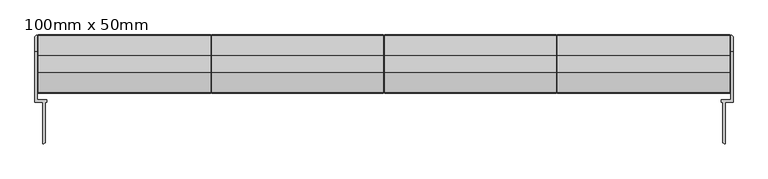
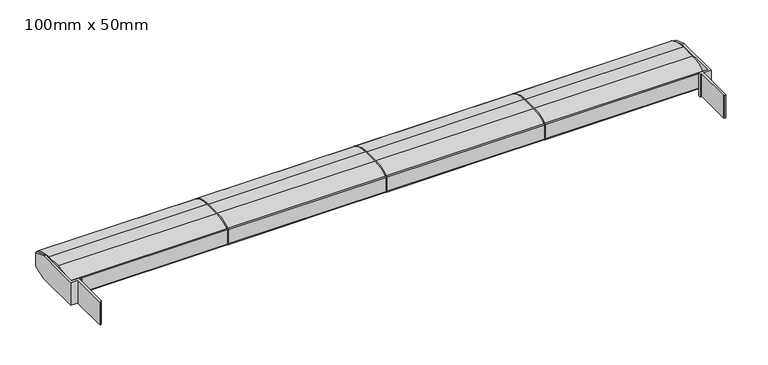
"""IFC4 building model written with IfcOpenShell, lengths in millimetres: plate geometry, 100mm x 50mm."""

from ifc_helpers import new_model, si_unit, point, frame, frame_2d, origin, place, context, project, spatial, polyline, circle_curve, trimmed, segment, composite_curve, outline, extrude, faceted_brep, source, transform, mapped, element, save


def plate_100mm_x_50mm_dc16ad58(model_context):
    return source(origin(), model_context, "Body", "SolidModel", [
        faceted_brep([(-596.0000001, 106.7422404, 20.7316945), (-596.0000001, 193.3258824, 20.7316945), (-592.0000001, 193.3258824, 20.7316945), (-592.0000001, 110.7422404, 20.7316945), (-575.5000001, 110.7422404, 20.7316945), (-575.5000001, 106.7422404, 20.7316945), (-578.5000001, 106.7422404, 20.7316945), (-578.5000001, 37.7422404, 20.7316945), (-580.5000001, 35.7422404, 20.7316945), (-582.5000001, 35.7422404, 20.7316945), (-582.5000001, 106.7422404, 20.7316945), (-592.0000001, 110.7422404, 65.7316945), (-592.0000001, 193.3258824, 65.7316945), (-596.0000001, 193.3258824, 65.7316945), (-596.0000001, 106.7422404, 65.7316945), (-582.5000001, 106.7422404, 65.7316945), (-582.5000001, 35.7422404, 65.7316945), (-580.5000001, 35.7422404, 65.7316945), (-578.5000001, 37.7422404, 65.7316945), (-578.5000001, 106.7422404, 65.7316945), (-575.5000001, 106.7422404, 65.7316945), (-575.5000001, 110.7422404, 65.7316945), (-596.0000001, 218.7422404, 56.9247114), (-596.0000001, 218.7422404, 29.5386776), (-592.0000001, 220.7422404, 30.2316945), (-592.0000001, 220.7422404, 56.2316945), (-594.0000001, 220.7422404, 30.2316945), (-594.0000001, 220.7422404, 56.2316945)], [[[0, 1, 2, 3, 4, 5, 6, 7, 8, 9, 10]], [[11, 12, 13, 14, 15, 16, 17, 18, 19, 20, 21]], [[14, 13, 22, 23, 1, 0]], [[10, 15, 14, 0]], [[9, 16, 15, 10]], [[8, 17, 16, 9]], [[7, 18, 17, 8]], [[6, 19, 18, 7]], [[5, 20, 19, 6]], [[4, 21, 20, 5]], [[3, 11, 21, 4]], [[3, 2, 24, 25, 12, 11]], [[24, 26, 27, 25]], [[22, 27, 26, 23]], [[12, 25, 27, 22, 13]], [[1, 23, 26, 24, 2]]]),
        faceted_brep([(596.0000001, 106.7422404, 20.7316945), (582.5000001, 106.7422404, 20.7316945), (582.5000001, 35.7422404, 20.7316945), (580.5000001, 35.7422404, 20.7316945), (578.5000001, 37.7422404, 20.7316945), (578.5000001, 106.7422404, 20.7316945), (575.5000001, 106.7422404, 20.7316945), (575.5000001, 110.7422404, 20.7316945), (592.0000001, 110.7422404, 20.7316945), (592.0000001, 193.3258824, 20.7316945), (596.0000001, 193.3258824, 20.7316945), (592.0000001, 110.7422404, 65.7316945), (575.5000001, 110.7422404, 65.7316945), (575.5000001, 106.7422404, 65.7316945), (578.5000001, 106.7422404, 65.7316945), (578.5000001, 37.7422404, 65.7316945), (580.5000001, 35.7422404, 65.7316945), (582.5000001, 35.7422404, 65.7316945), (582.5000001, 106.7422404, 65.7316945), (596.0000001, 106.7422404, 65.7316945), (596.0000001, 193.3258824, 65.7316945), (592.0000001, 193.3258824, 65.7316945), (596.0000001, 218.7422404, 29.5386776), (596.0000001, 218.7422404, 56.9247114), (592.0000001, 220.7422404, 56.2316945), (592.0000001, 220.7422404, 30.2316945), (594.0000001, 220.7422404, 56.2316945), (594.0000001, 220.7422404, 30.2316945)], [[[0, 1, 2, 3, 4, 5, 6, 7, 8, 9, 10]], [[11, 12, 13, 14, 15, 16, 17, 18, 19, 20, 21]], [[19, 0, 10, 22, 23, 20]], [[1, 0, 19, 18]], [[2, 1, 18, 17]], [[3, 2, 17, 16]], [[4, 3, 16, 15]], [[5, 4, 15, 14]], [[6, 5, 14, 13]], [[7, 6, 13, 12]], [[8, 7, 12, 11]], [[8, 11, 21, 24, 25, 9]], [[25, 24, 26, 27]], [[23, 22, 27, 26]], [[21, 20, 23, 26, 24]], [[10, 9, 25, 27, 22]]]),
        extrude(outline(composite_curve([segment(trimmed(circle_curve(frame_2d((186.7, -1.4683055)), 67.5), [point((186.7, 66.0316945))], [point((220.7076336, 56.8389055))], False, "CARTESIAN"), True, "CONTINUOUS"), segment(trimmed(circle_curve(frame_2d((219.7, 55.1112845)), 2.0), [point((220.7076336, 56.8389055))], [point((221.7, 55.1112845))], False, "CARTESIAN"), True, "CONTINUOUS"), segment(polyline([(221.7, 55.1112845), (221.7, 26.9521046)]), True, "CONTINUOUS"), segment(trimmed(circle_curve(frame_2d((219.7, 26.9521046)), 2.0), [point((221.7, 26.9521046))], [point((220.7076336, 25.2244835))], False, "CARTESIAN"), True, "CONTINUOUS"), segment(trimmed(circle_curve(frame_2d((186.7, 83.5316945)), 67.5), [point((220.7076336, 25.2244835))], [point((186.7, 16.0316945))], False, "CARTESIAN"), True, "CONTINUOUS"), segment(polyline([(186.7, 16.0316945), (156.7, 16.0316945)]), True, "CONTINUOUS"), segment(trimmed(circle_curve(frame_2d((156.7, 83.5316945)), 67.5), [point((156.7, 16.0316945))], [point((122.6923664, 25.2244835))], False, "CARTESIAN"), True, "CONTINUOUS"), segment(trimmed(circle_curve(frame_2d((123.7, 26.9521046)), 2.0), [point((122.6923664, 25.2244835))], [point((121.7, 26.9521046))], False, "CARTESIAN"), True, "CONTINUOUS"), segment(polyline([(121.7, 26.9521046), (121.7, 55.1112845)]), True, "CONTINUOUS"), segment(trimmed(circle_curve(frame_2d((123.7, 55.1112845)), 2.0), [point((121.7, 55.1112845))], [point((122.6923664, 56.8389055))], False, "CARTESIAN"), True, "CONTINUOUS"), segment(trimmed(circle_curve(frame_2d((156.7, -1.4683055)), 67.5), [point((122.6923664, 56.8389055))], [point((156.7, 66.0316945))], False, "CARTESIAN"), True, "CONTINUOUS"), segment(polyline([(156.7, 66.0316945), (186.7, 66.0316945)]), True, "CONTINUOUS")], self_intersect=False), holes=[composite_curve([segment(polyline([(146.7, 26.8836478), (146.7, 55.1797412)]), True, "CONTINUOUS"), segment(trimmed(circle_curve(frame_2d((171.7, -52.9683055)), 111.0), [point((146.7, 55.1797412))], [point((130.7, 50.1820702))], True, "CARTESIAN"), True, "CONTINUOUS"), segment(polyline([(130.7, 50.1820702), (130.7, 31.8813188)]), True, "CONTINUOUS"), segment(trimmed(circle_curve(frame_2d((171.7, 135.0316945)), 111.0), [point((130.7, 31.8813188))], [point((146.7, 26.8836478))], True, "CARTESIAN"), True, "CONTINUOUS")], self_intersect=False), polyline([(186.7, 26.0316945), (186.7, 56.0316945), (156.7, 56.0316945), (156.7, 26.0316945), (186.7, 26.0316945)]), composite_curve([segment(trimmed(circle_curve(frame_2d((171.7, 135.0316945)), 111.0), [point((196.7, 26.8836478))], [point((212.7, 31.8813188))], True, "CARTESIAN"), True, "CONTINUOUS"), segment(polyline([(212.7, 31.8813188), (212.7, 50.1820702)]), True, "CONTINUOUS"), segment(trimmed(circle_curve(frame_2d((171.7, -52.9683055)), 111.0), [point((212.7, 50.1820702))], [point((196.7, 55.1797412))], True, "CARTESIAN"), True, "CONTINUOUS"), segment(polyline([(196.7, 55.1797412), (196.7, 26.8836478)]), True, "CONTINUOUS")], self_intersect=False)]), frame((296.0000001, 0.0, 0.0), z_axis=(1.0, 0.0, 0.0), x_axis=(0.0, 1.0, 0.0)), (0.0, 0.0, 1.0), 294.0000001),
        extrude(outline(composite_curve([segment(trimmed(circle_curve(frame_2d((186.7, -1.4683055)), 67.5), [point((186.7, 66.0316945))], [point((220.7076336, 56.8389055))], False, "CARTESIAN"), True, "CONTINUOUS"), segment(trimmed(circle_curve(frame_2d((219.7, 55.1112845)), 2.0), [point((220.7076336, 56.8389055))], [point((221.7, 55.1112845))], False, "CARTESIAN"), True, "CONTINUOUS"), segment(polyline([(221.7, 55.1112845), (221.7, 26.9521046)]), True, "CONTINUOUS"), segment(trimmed(circle_curve(frame_2d((219.7, 26.9521046)), 2.0), [point((221.7, 26.9521046))], [point((220.7076336, 25.2244835))], False, "CARTESIAN"), True, "CONTINUOUS"), segment(trimmed(circle_curve(frame_2d((186.7, 83.5316945)), 67.5), [point((220.7076336, 25.2244835))], [point((186.7, 16.0316945))], False, "CARTESIAN"), True, "CONTINUOUS"), segment(polyline([(186.7, 16.0316945), (156.7, 16.0316945)]), True, "CONTINUOUS"), segment(trimmed(circle_curve(frame_2d((156.7, 83.5316945)), 67.5), [point((156.7, 16.0316945))], [point((122.6923664, 25.2244835))], False, "CARTESIAN"), True, "CONTINUOUS"), segment(trimmed(circle_curve(frame_2d((123.7, 26.9521046)), 2.0), [point((122.6923664, 25.2244835))], [point((121.7, 26.9521046))], False, "CARTESIAN"), True, "CONTINUOUS"), segment(polyline([(121.7, 26.9521046), (121.7, 55.1112845)]), True, "CONTINUOUS"), segment(trimmed(circle_curve(frame_2d((123.7, 55.1112845)), 2.0), [point((121.7, 55.1112845))], [point((122.6923664, 56.8389055))], False, "CARTESIAN"), True, "CONTINUOUS"), segment(trimmed(circle_curve(frame_2d((156.7, -1.4683055)), 67.5), [point((122.6923664, 56.8389055))], [point((156.7, 66.0316945))], False, "CARTESIAN"), True, "CONTINUOUS"), segment(polyline([(156.7, 66.0316945), (186.7, 66.0316945)]), True, "CONTINUOUS")], self_intersect=False), holes=[composite_curve([segment(polyline([(146.7, 26.8836478), (146.7, 55.1797412)]), True, "CONTINUOUS"), segment(trimmed(circle_curve(frame_2d((171.7, -52.9683055)), 111.0), [point((146.7, 55.1797412))], [point((130.7, 50.1820702))], True, "CARTESIAN"), True, "CONTINUOUS"), segment(polyline([(130.7, 50.1820702), (130.7, 31.8813188)]), True, "CONTINUOUS"), segment(trimmed(circle_curve(frame_2d((171.7, 135.0316945)), 111.0), [point((130.7, 31.8813188))], [point((146.7, 26.8836478))], True, "CARTESIAN"), True, "CONTINUOUS")], self_intersect=False), polyline([(186.7, 26.0316945), (186.7, 56.0316945), (156.7, 56.0316945), (156.7, 26.0316945), (186.7, 26.0316945)]), composite_curve([segment(trimmed(circle_curve(frame_2d((171.7, 135.0316945)), 111.0), [point((196.7, 26.8836478))], [point((212.7, 31.8813188))], True, "CARTESIAN"), True, "CONTINUOUS"), segment(polyline([(212.7, 31.8813188), (212.7, 50.1820702)]), True, "CONTINUOUS"), segment(trimmed(circle_curve(frame_2d((171.7, -52.9683055)), 111.0), [point((212.7, 50.1820702))], [point((196.7, 55.1797412))], True, "CARTESIAN"), True, "CONTINUOUS"), segment(polyline([(196.7, 55.1797412), (196.7, 26.8836478)]), True, "CONTINUOUS")], self_intersect=False)]), frame((1.0000001, 0.0, 0.0), z_axis=(1.0, 0.0, 0.0), x_axis=(0.0, 1.0, 0.0)), (0.0, 0.0, 1.0), 292.9999999),
        extrude(outline(composite_curve([segment(trimmed(circle_curve(frame_2d((186.7, -1.4683055)), 67.5), [point((186.7, 66.0316945))], [point((220.7076336, 56.8389055))], False, "CARTESIAN"), True, "CONTINUOUS"), segment(trimmed(circle_curve(frame_2d((219.7, 55.1112845)), 2.0), [point((220.7076336, 56.8389055))], [point((221.7, 55.1112845))], False, "CARTESIAN"), True, "CONTINUOUS"), segment(polyline([(221.7, 55.1112845), (221.7, 26.9521046)]), True, "CONTINUOUS"), segment(trimmed(circle_curve(frame_2d((219.7, 26.9521046)), 2.0), [point((221.7, 26.9521046))], [point((220.7076336, 25.2244835))], False, "CARTESIAN"), True, "CONTINUOUS"), segment(trimmed(circle_curve(frame_2d((186.7, 83.5316945)), 67.5), [point((220.7076336, 25.2244835))], [point((186.7, 16.0316945))], False, "CARTESIAN"), True, "CONTINUOUS"), segment(polyline([(186.7, 16.0316945), (156.7, 16.0316945)]), True, "CONTINUOUS"), segment(trimmed(circle_curve(frame_2d((156.7, 83.5316945)), 67.5), [point((156.7, 16.0316945))], [point((122.6923664, 25.2244835))], False, "CARTESIAN"), True, "CONTINUOUS"), segment(trimmed(circle_curve(frame_2d((123.7, 26.9521046)), 2.0), [point((122.6923664, 25.2244835))], [point((121.7, 26.9521046))], False, "CARTESIAN"), True, "CONTINUOUS"), segment(polyline([(121.7, 26.9521046), (121.7, 55.1112845)]), True, "CONTINUOUS"), segment(trimmed(circle_curve(frame_2d((123.7, 55.1112845)), 2.0), [point((121.7, 55.1112845))], [point((122.6923664, 56.8389055))], False, "CARTESIAN"), True, "CONTINUOUS"), segment(trimmed(circle_curve(frame_2d((156.7, -1.4683055)), 67.5), [point((122.6923664, 56.8389055))], [point((156.7, 66.0316945))], False, "CARTESIAN"), True, "CONTINUOUS"), segment(polyline([(156.7, 66.0316945), (186.7, 66.0316945)]), True, "CONTINUOUS")], self_intersect=False), holes=[composite_curve([segment(polyline([(146.7, 26.8836478), (146.7, 55.1797412)]), True, "CONTINUOUS"), segment(trimmed(circle_curve(frame_2d((171.7, -52.9683055)), 111.0), [point((146.7, 55.1797412))], [point((130.7, 50.1820702))], True, "CARTESIAN"), True, "CONTINUOUS"), segment(polyline([(130.7, 50.1820702), (130.7, 31.8813188)]), True, "CONTINUOUS"), segment(trimmed(circle_curve(frame_2d((171.7, 135.0316945)), 111.0), [point((130.7, 31.8813188))], [point((146.7, 26.8836478))], True, "CARTESIAN"), True, "CONTINUOUS")], self_intersect=False), polyline([(186.7, 26.0316945), (186.7, 56.0316945), (156.7, 56.0316945), (156.7, 26.0316945), (186.7, 26.0316945)]), composite_curve([segment(trimmed(circle_curve(frame_2d((171.7, 135.0316945)), 111.0), [point((196.7, 26.8836478))], [point((212.7, 31.8813188))], True, "CARTESIAN"), True, "CONTINUOUS"), segment(polyline([(212.7, 31.8813188), (212.7, 50.1820702)]), True, "CONTINUOUS"), segment(trimmed(circle_curve(frame_2d((171.7, -52.9683055)), 111.0), [point((212.7, 50.1820702))], [point((196.7, 55.1797412))], True, "CARTESIAN"), True, "CONTINUOUS"), segment(polyline([(196.7, 55.1797412), (196.7, 26.8836478)]), True, "CONTINUOUS")], self_intersect=False)]), frame((-294.0000001, 0.0, 0.0), z_axis=(1.0, 0.0, 0.0), x_axis=(0.0, 1.0, 0.0)), (0.0, 0.0, 1.0), 293.0000002),
        extrude(outline(composite_curve([segment(trimmed(circle_curve(frame_2d((186.7, -1.4683055)), 67.5), [point((186.7, 66.0316945))], [point((220.7076336, 56.8389055))], False, "CARTESIAN"), True, "CONTINUOUS"), segment(trimmed(circle_curve(frame_2d((219.7, 55.1112845)), 2.0), [point((220.7076336, 56.8389055))], [point((221.7, 55.1112845))], False, "CARTESIAN"), True, "CONTINUOUS"), segment(polyline([(221.7, 55.1112845), (221.7, 26.9521046)]), True, "CONTINUOUS"), segment(trimmed(circle_curve(frame_2d((219.7, 26.9521046)), 2.0), [point((221.7, 26.9521046))], [point((220.7076336, 25.2244835))], False, "CARTESIAN"), True, "CONTINUOUS"), segment(trimmed(circle_curve(frame_2d((186.7, 83.5316945)), 67.5), [point((220.7076336, 25.2244835))], [point((186.7, 16.0316945))], False, "CARTESIAN"), True, "CONTINUOUS"), segment(polyline([(186.7, 16.0316945), (156.7, 16.0316945)]), True, "CONTINUOUS"), segment(trimmed(circle_curve(frame_2d((156.7, 83.5316945)), 67.5), [point((156.7, 16.0316945))], [point((122.6923664, 25.2244835))], False, "CARTESIAN"), True, "CONTINUOUS"), segment(trimmed(circle_curve(frame_2d((123.7, 26.9521046)), 2.0), [point((122.6923664, 25.2244835))], [point((121.7, 26.9521046))], False, "CARTESIAN"), True, "CONTINUOUS"), segment(polyline([(121.7, 26.9521046), (121.7, 55.1112845)]), True, "CONTINUOUS"), segment(trimmed(circle_curve(frame_2d((123.7, 55.1112845)), 2.0), [point((121.7, 55.1112845))], [point((122.6923664, 56.8389055))], False, "CARTESIAN"), True, "CONTINUOUS"), segment(trimmed(circle_curve(frame_2d((156.7, -1.4683055)), 67.5), [point((122.6923664, 56.8389055))], [point((156.7, 66.0316945))], False, "CARTESIAN"), True, "CONTINUOUS"), segment(polyline([(156.7, 66.0316945), (186.7, 66.0316945)]), True, "CONTINUOUS")], self_intersect=False), holes=[composite_curve([segment(polyline([(146.7, 26.8836478), (146.7, 55.1797412)]), True, "CONTINUOUS"), segment(trimmed(circle_curve(frame_2d((171.7, -52.9683055)), 111.0), [point((146.7, 55.1797412))], [point((130.7, 50.1820702))], True, "CARTESIAN"), True, "CONTINUOUS"), segment(polyline([(130.7, 50.1820702), (130.7, 31.8813188)]), True, "CONTINUOUS"), segment(trimmed(circle_curve(frame_2d((171.7, 135.0316945)), 111.0), [point((130.7, 31.8813188))], [point((146.7, 26.8836478))], True, "CARTESIAN"), True, "CONTINUOUS")], self_intersect=False), polyline([(186.7, 26.0316945), (186.7, 56.0316945), (156.7, 56.0316945), (156.7, 26.0316945), (186.7, 26.0316945)]), composite_curve([segment(trimmed(circle_curve(frame_2d((171.7, 135.0316945)), 111.0), [point((196.7, 26.8836478))], [point((212.7, 31.8813188))], True, "CARTESIAN"), True, "CONTINUOUS"), segment(polyline([(212.7, 31.8813188), (212.7, 50.1820702)]), True, "CONTINUOUS"), segment(trimmed(circle_curve(frame_2d((171.7, -52.9683055)), 111.0), [point((212.7, 50.1820702))], [point((196.7, 55.1797412))], True, "CARTESIAN"), True, "CONTINUOUS"), segment(polyline([(196.7, 55.1797412), (196.7, 26.8836478)]), True, "CONTINUOUS")], self_intersect=False)]), frame((-589.9999999, 0.0, 0.0), z_axis=(1.0, 0.0, 0.0), x_axis=(0.0, 1.0, 0.0)), (0.0, 0.0, 1.0), 293.9999998),
    ])


if __name__ == "__main__":
    model = new_model("IFC4")
    model_context = context("Model", 3, world=origin())
    ifc_project = project(units=[si_unit("LENGTHUNIT", "METRE", prefix="MILLI")], contexts=[model_context])
    site = spatial("IfcSite", under=ifc_project)
    building = spatial("IfcBuilding", under=site)
    placement = place(None, origin())
    plate_100mm_x_50mm_shape = plate_100mm_x_50mm_dc16ad58(model_context)
    element("IfcPlate", 1, ObjectType="100mm x 50mm", at=placement, inside=building, context=model_context, shape_type="MappedRepresentation", body=[
        mapped(plate_100mm_x_50mm_shape, transform((0.0, 0.0, 0.0), x_axis=(1.0, 0.0, 0.0), y_axis=(0.0, 1.0, 0.0), z_axis=(0.0, 0.0, 1.0))),
    ])
    save(model, "model.ifc")
